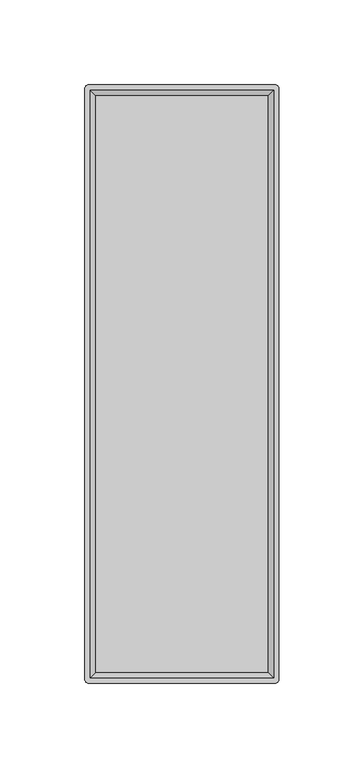
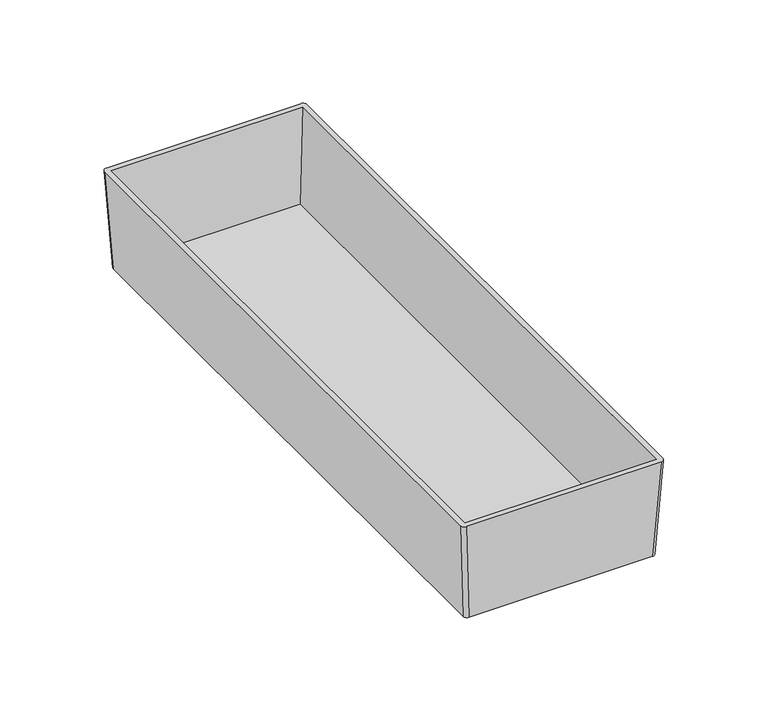
"""IFC4 building model written with IfcOpenShell, lengths in millimetres: furniture geometry."""

from ifc_helpers import new_model, si_unit, point, frame, origin, place, context, project, spatial, circle_curve, trimmed, source, transform, mapped, element, save
from ifc_brep_helpers import plane_surface, extruded_surface, advanced_brep


def furniture_cee5b27b(model_context):
    return source(origin(), model_context, "Body", "AdvancedBrep", [
        advanced_brep(
        [(51.7525, 173.0375, 908.05), (53.975, 170.815, 908.05), (53.975, -170.815, 908.05), (51.7525, -173.0375, 908.05), (-51.7525, -173.0375, 908.05), (-53.975, -170.815, 908.05), (-53.975, 170.815, 908.05), (-51.7525, 173.0375, 908.05), (54.9275, 176.2125, 965.2), (-54.9275, 176.2125, 965.2), (-57.15, 173.99, 965.2), (-57.15, -173.99, 965.2), (-54.9275, -176.2125, 965.2), (54.9275, -176.2125, 965.2), (57.15, -173.99, 965.2), (57.15, 173.99, 965.2), (-53.975, 173.0375, 965.2), (53.975, 173.0375, 965.2), (53.975, -173.0375, 965.2), (-53.975, -173.0375, 965.2), (50.8, 169.8625, 910.59), (-50.8, 169.8625, 910.59), (-50.8, -169.8625, 910.59), (50.8, -169.8625, 910.59)],
        [
            (0, 1, circle_curve(frame((51.7525, 170.815, 908.05), z_axis=(0.0, 0.0, -1.0), x_axis=(-1.0, 0.0, 0.0)), 2.2225)),
            (1, 2),
            (2, 3, circle_curve(frame((51.7525, -170.815, 908.05), z_axis=(0.0, 0.0, -1.0), x_axis=(-1.0, 0.0, 0.0)), 2.2225)),
            (3, 4),
            (4, 5, circle_curve(frame((-51.7525, -170.815, 908.05), z_axis=(0.0, 0.0, -1.0), x_axis=(-1.0, 0.0, 0.0)), 2.2225)),
            (5, 6),
            (6, 7, circle_curve(frame((-51.7525, 170.815, 908.05), z_axis=(0.0, 0.0, -1.0), x_axis=(-1.0, 0.0, 0.0)), 2.2225)),
            (7, 0),
            (8, 9),
            (9, 10, circle_curve(frame((-54.9275, 173.99, 965.2), z_axis=(0.0, 0.0, 1.0), x_axis=(-1.0, 0.0, 0.0)), 2.2225)),
            (10, 11),
            (11, 12, circle_curve(frame((-54.9275, -173.99, 965.2), z_axis=(0.0, 0.0, 1.0), x_axis=(-1.0, 0.0, 0.0)), 2.2225)),
            (12, 13),
            (13, 14, circle_curve(frame((54.9275, -173.99, 965.2), z_axis=(0.0, 0.0, 1.0), x_axis=(-1.0, 0.0, 0.0)), 2.2225)),
            (14, 15),
            (15, 8, circle_curve(frame((54.9275, 173.99, 965.2), z_axis=(0.0, 0.0, 1.0), x_axis=(-1.0, 0.0, 0.0)), 2.2225)),
            (16, 17),
            (17, 18),
            (18, 19),
            (19, 16),
            (7, 9),
            (8, 0),
            (6, 10),
            (5, 11),
            (4, 12),
            (3, 13),
            (2, 14),
            (1, 15),
            (20, 21),
            (21, 22),
            (22, 23),
            (23, 20),
            (20, 17),
            (16, 21),
            (19, 22),
            (18, 23),
        ],
        [
            plane_surface(frame((0.0, 0.0, 908.05), z_axis=(0.0, 0.0, -1.0), x_axis=(-1.0, 0.0, 0.0))),
            plane_surface(frame((0.0, 0.0, 965.2), z_axis=(0.0, 0.0, 1.0), x_axis=(-1.0, 0.0, 0.0))),
            plane_surface(frame((0.0, 176.2125, 965.2), z_axis=(0.0, 0.9984603532054104, -0.05547001962256064), x_axis=(1.0, 0.0, 0.0))),
            extruded_surface(trimmed(circle_curve(frame((-54.9275, 173.99, 965.2), z_axis=(0.0, 0.0, -1.0), x_axis=(-1.0, 0.0, 0.0)), 2.2225), [point((-57.15, 173.99, 965.2))], [point((-54.9275, 176.2125, 965.2))], True, "CARTESIAN"), (3.1750000000000043, -3.1750000000000114, -57.15000000000009), 57.32611752072532),
            plane_surface(frame((-57.15, 0.0, 965.2), z_axis=(-0.998460353205411, 0.0, -0.05547001962254796), x_axis=(0.0, 1.0, 0.0))),
            extruded_surface(trimmed(circle_curve(frame((-54.9275, -173.99, 965.2), z_axis=(0.0, 0.0, -1.0), x_axis=(-1.0, 0.0, 0.0)), 2.2225), [point((-54.9275, -176.2125, 965.2))], [point((-57.15, -173.99, 965.2))], True, "CARTESIAN"), (3.1750000000000043, 3.1750000000000114, -57.15000000000009), 57.32611752072532),
            plane_surface(frame((0.0, -176.2125, 965.2), z_axis=(0.0, -0.9984603532055267, -0.05547001962046713), x_axis=(-1.0, 0.0, 0.0))),
            extruded_surface(trimmed(circle_curve(frame((54.9275, -173.99, 965.2), z_axis=(0.0, 0.0, -1.0), x_axis=(-1.0, 0.0, 0.0)), 2.2225), [point((57.15, -173.99, 965.2))], [point((54.9275, -176.2125, 965.2))], True, "CARTESIAN"), (-3.1750000000000043, 3.1750000000000114, -57.15000000000009), 57.32611752072532),
            plane_surface(frame((57.15, 0.0, 965.2), z_axis=(0.998460353205429, 0.0, -0.055470019622225274), x_axis=(0.0, -1.0, 0.0))),
            extruded_surface(trimmed(circle_curve(frame((54.9275, 173.99, 965.2), z_axis=(0.0, 0.0, -1.0), x_axis=(-1.0, 0.0, 0.0)), 2.2225), [point((54.9275, 176.2125, 965.2))], [point((57.15, 173.99, 965.2))], True, "CARTESIAN"), (-3.1750000000000043, -3.1750000000000114, -57.15000000000009), 57.32611752072532),
            plane_surface(frame((0.0, 0.0, 910.59), z_axis=(0.0, 0.0, 1.0), x_axis=(-1.0, 0.0, 0.0))),
            plane_surface(frame((0.0, 173.0375, 965.2), z_axis=(0.0, -0.9983141698791151, 0.05804152150463695), x_axis=(1.0, 0.0, 0.0))),
            plane_surface(frame((-53.975, 0.0, 965.2), z_axis=(0.9983141698791161, 0.0, 0.058041521504619685), x_axis=(0.0, 1.0, 0.0))),
            plane_surface(frame((0.0, -173.0375, 965.2), z_axis=(0.0, 0.9983141698789251, 0.0580415215079058), x_axis=(-1.0, 0.0, 0.0))),
            plane_surface(frame((53.975, 0.0, 965.2), z_axis=(-0.998314169879097, 0.0, 0.058041521504948144), x_axis=(0.0, -1.0, 0.0))),
        ],
        [
            (0, [[1, 2, 3, 4, 5, 6, 7, 8]]),
            (1, [[9, 10, 11, 12, 13, 14, 15, 16], [17, 18, 19, 20]]),
            (2, [[-8, 21, -9, 22]]),
            (3, [[-7, 23, -10, -21]]),
            (4, [[-6, 24, -11, -23]]),
            (5, [[-5, 25, -12, -24]]),
            (6, [[-4, 26, -13, -25]]),
            (7, [[-3, 27, -14, -26]]),
            (8, [[-2, 28, -15, -27]]),
            (9, [[-1, -22, -16, -28]]),
            (10, [[29, 30, 31, 32]]),
            (11, [[-29, 33, -17, 34]]),
            (12, [[-30, -34, -20, 35]]),
            (13, [[-31, -35, -19, 36]]),
            (14, [[-32, -36, -18, -33]]),
        ],
    ),
    ])


if __name__ == "__main__":
    model = new_model("IFC4")
    model_context = context("Model", 3, world=origin())
    ifc_project = project(units=[si_unit("LENGTHUNIT", "METRE", prefix="MILLI")], contexts=[model_context])
    site = spatial("IfcSite", under=ifc_project)
    building = spatial("IfcBuilding", under=site)
    placement = place(None, origin())
    furniture_shape = furniture_cee5b27b(model_context)
    element("IfcFurniture", 1, at=placement, inside=building, context=model_context, shape_type="MappedRepresentation", body=[
        mapped(furniture_shape, transform((0.0, 0.0, 0.0), x_axis=(1.0, 0.0, 0.0), y_axis=(0.0, 1.0, 0.0), z_axis=(0.0, 0.0, 1.0))),
    ])
    save(model, "model.ifc")
